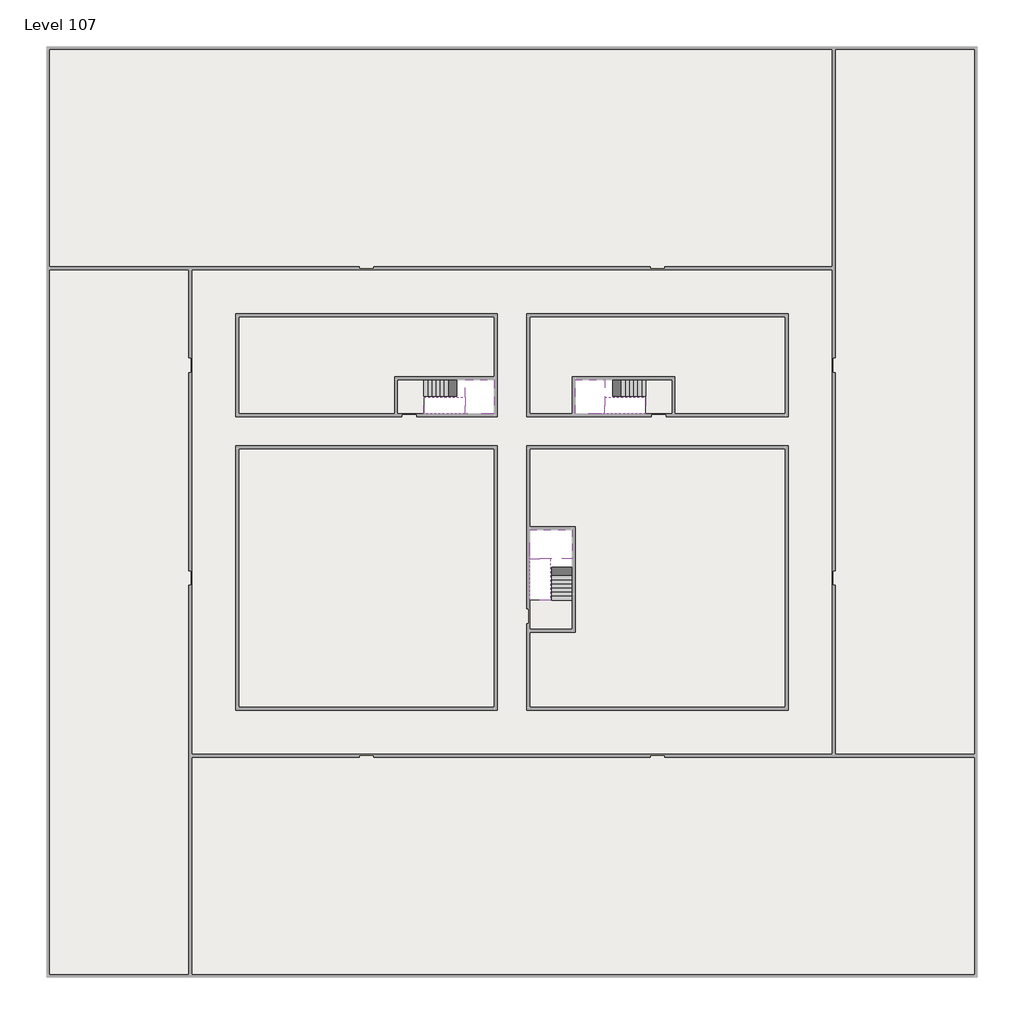
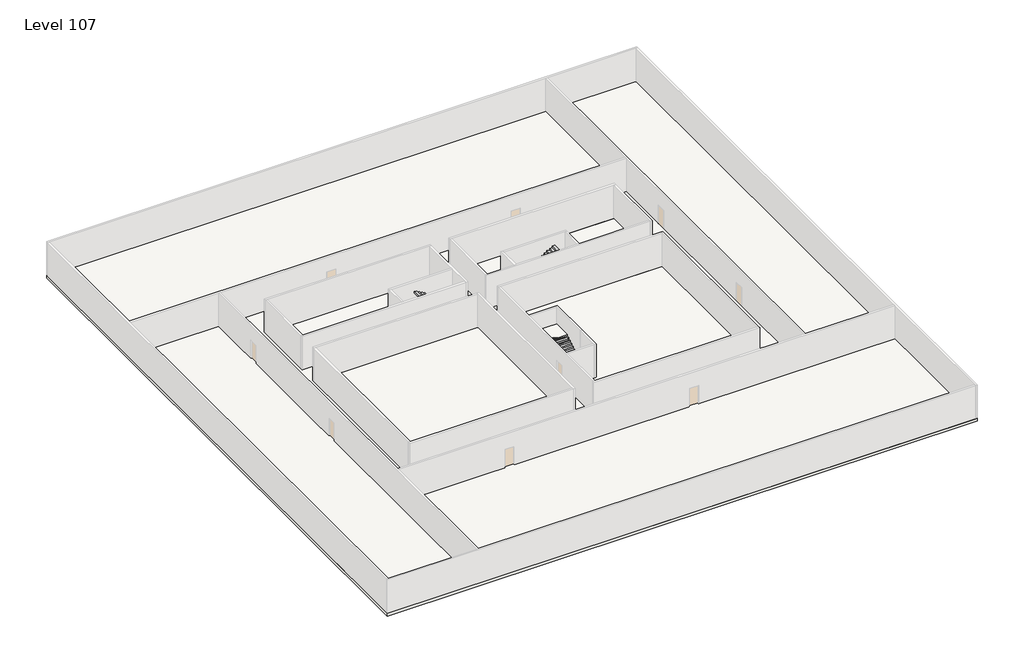
# One storey, part 2 of 2: 6 slabs, 6 stair flights.
"""IFC4 building model written with IfcOpenShell, lengths in millimetres."""

from ifc_helpers import new_model, si_unit, frame, origin, place, context, project, spatial, polyline, outline, extrude, faceted_brep, element, save

model = new_model("IFC4")

# Units and contexts
model_context = context("Model", 3, world=origin())
ifc_project = project(units=[si_unit("LENGTHUNIT", "METRE", prefix="MILLI")], contexts=[model_context])

# Site, building, storey
site = spatial("IfcSite", under=ifc_project)
building = spatial("IfcBuilding", under=site)
storey = spatial("IfcBuildingStorey", under=building, Name="Level 107", Elevation=402800.0)

# Slabs
placement = place(None, origin())
element("IfcSlab", 1, at=placement, inside=storey, context=model_context, shape_type="SweptSolid", body=[
    extrude(outline(polyline([(55890.1058784, -5518.09644), (55890.1058784, -68918.09644), (-7509.8941216, -68918.09644), (-7509.8941216, -5518.09644), (55890.1058784, -5518.09644)]), holes=[polyline([(22990.1058784, -23918.09644), (5590.1058784, -23918.09644), (5590.1058784, -30518.09644), (22990.1058784, -30518.09644), (22990.1058784, -23918.09644)]), polyline([(42990.1058784, -23918.09644), (25390.1058784, -23918.09644), (25390.1058784, -30518.09644), (42990.1058784, -30518.09644), (42990.1058784, -23918.09644)]), polyline([(25390.1058784, -50518.09644), (42790.1058784, -50518.09644), (42790.1058784, -32918.09644), (25390.1058784, -32918.09644), (25390.1058784, -50518.09644)]), polyline([(22990.1058784, -32918.09644), (5590.1058784, -32918.09644), (5590.1058784, -50518.09644), (22990.1058784, -50518.09644), (22990.1058784, -32918.09644)])]), frame((0.0, 0.0, 402500.0), z_axis=(0.0, 0.0, 1.0), x_axis=(1.0, 0.0, 0.0)), (0.0, 0.0, 1.0), 300.0),
])
element("IfcSlab", 2, at=placement, inside=storey, context=model_context, shape_type="SweptSolid", body=[
    extrude(outline(polyline([(22990.1058784, -23918.09644), (22990.1058784, -28018.09644), (16190.1058784, -28018.09644), (16190.1058784, -30518.09644), (5590.1058784, -30518.09644), (5590.1058784, -23918.09644), (22990.1058784, -23918.09644)])), frame((0.0, 0.0, 402500.0), z_axis=(0.0, 0.0, 1.0), x_axis=(1.0, 0.0, 0.0)), (0.0, 0.0, 1.0), 300.0),
    extrude(outline(polyline([(42790.1058784, -23918.09644), (42790.1058784, -30518.09644), (35290.1058784, -30518.09644), (35290.1058784, -28018.09644), (28490.1058784, -28018.09644), (28490.1058784, -30518.09644), (25390.1058784, -30518.09644), (25390.1058784, -23918.09644), (42790.1058784, -23918.09644)])), frame((0.0, 0.0, 402500.0), z_axis=(0.0, 0.0, 1.0), x_axis=(1.0, 0.0, 0.0)), (0.0, 0.0, 1.0), 300.0),
    extrude(outline(polyline([(22990.1058784, -32918.09644), (22990.1058784, -50518.09644), (5590.1058784, -50518.09644), (5590.1058784, -32918.09644), (22990.1058784, -32918.09644)])), frame((0.0, 0.0, 402500.0), z_axis=(0.0, 0.0, 1.0), x_axis=(1.0, 0.0, 0.0)), (0.0, 0.0, 1.0), 300.0),
    extrude(outline(polyline([(25390.1058784, -38218.09644), (25390.1058784, -32918.09644), (42790.1058784, -32918.09644), (42790.1058784, -50518.09644), (25390.1058784, -50518.09644), (25390.1058784, -45418.09644), (28490.1058784, -45418.09644), (28490.1058784, -38218.09644), (25390.1058784, -38218.09644)])), frame((0.0, 0.0, 402500.0), z_axis=(0.0, 0.0, 1.0), x_axis=(1.0, 0.0, 0.0)), (0.0, 0.0, 1.0), 300.0),
])
element("IfcSlab", 3, at=placement, inside=storey, context=model_context, shape_type="Brep", body=[
    faceted_brep([(26890.1058784, -40418.09644, 404700.0), (28290.1058784, -40418.09644, 404700.0), (28290.1058784, -40338.7100038, 404700.0), (28290.1058784, -38418.09644, 404700.0), (25390.1058784, -38418.09644, 404700.0), (25390.1058784, -40217.4828763, 404700.0), (25390.1058784, -40418.09644, 404700.0), (26790.1058784, -40418.09644, 404700.0), (26890.1058784, -40418.09644, 404400.0), (26890.1058784, -40418.09644, 404351.0278478), (28290.1058784, -40418.09644, 404351.0278478), (28290.1058784, -40418.09644, 404527.2727273), (28290.1058784, -40338.7100038, 404400.0), (28290.1058784, -38418.09644, 404400.0), (25390.1058784, -38418.09644, 404400.0), (25390.1058784, -40217.4828763, 404400.0), (25390.1058784, -40418.09644, 404523.7551205), (26790.1058784, -40418.09644, 404523.7551205), (26790.1058784, -40418.09644, 404400.0), (26790.1058784, -40217.4828763, 404400.0), (26890.1058784, -40338.7100038, 404400.0)], [[[0, 1, 2, 3, 4, 5, 6, 7]], [[1, 0, 8, 9, 10, 11]], [[1, 11, 10, 12, 13, 3, 2]], [[4, 3, 13, 14]], [[4, 14, 15, 16, 6, 5]], [[7, 6, 16, 17]], [[0, 7, 17, 18, 8]], [[18, 19, 15, 14, 13, 12, 20, 8]], [[19, 18, 17]], [[20, 12, 10, 9]], [[8, 20, 9]], [[15, 19, 17, 16]]]),
])
element("IfcSlab", 4, at=placement, inside=storey, context=model_context, shape_type="Brep", body=[
    faceted_brep([(20990.1058784, -28218.09644, 404700.0), (20990.1058784, -29318.09644, 404700.0), (20990.1058784, -29418.09644, 404700.0), (20990.1058784, -30518.09644, 404700.0), (21190.7194421, -30518.09644, 404700.0), (22990.1058784, -30518.09644, 404700.0), (22990.1058784, -28218.09644, 404700.0), (21069.4923146, -28218.09644, 404700.0), (20990.1058784, -28218.09644, 404527.2727273), (20990.1058784, -28218.09644, 404351.0278478), (20990.1058784, -29318.09644, 404351.0278478), (20990.1058784, -29318.09644, 404400.0), (20990.1058784, -29418.09644, 404400.0), (20990.1058784, -29418.09644, 404523.7551205), (20990.1058784, -30518.09644, 404523.7551205), (21190.7194421, -30518.09644, 404400.0), (22990.1058784, -30518.09644, 404400.0), (22990.1058784, -28218.09644, 404400.0), (21069.4923146, -28218.09644, 404400.0), (21190.7194421, -29418.09644, 404400.0), (21069.4923146, -29318.09644, 404400.0)], [[[0, 1, 2, 3, 4, 5, 6, 7]], [[1, 0, 8, 9, 10, 11]], [[2, 1, 11, 12, 13]], [[3, 2, 13, 14]], [[3, 14, 15, 16, 5, 4]], [[6, 5, 16, 17]], [[9, 8, 0, 7, 6, 17, 18]], [[19, 12, 11, 20, 18, 17, 16, 15]], [[12, 19, 13]], [[18, 20, 10, 9]], [[20, 11, 10]], [[19, 15, 14, 13]]]),
])
element("IfcSlab", 5, at=placement, inside=storey, context=model_context, shape_type="Brep", body=[
    faceted_brep([(30490.1058784, -29318.09644, 404700.0), (30490.1058784, -28218.09644, 404700.0), (30410.7194421, -28218.09644, 404700.0), (28490.1058784, -28218.09644, 404700.0), (28490.1058784, -30518.09644, 404700.0), (30289.4923146, -30518.09644, 404700.0), (30490.1058784, -30518.09644, 404700.0), (30490.1058784, -29418.09644, 404700.0), (30490.1058784, -29318.09644, 404400.0), (30490.1058784, -29318.09644, 404351.0278478), (30490.1058784, -28218.09644, 404351.0278478), (30490.1058784, -28218.09644, 404527.2727273), (30490.1058784, -29418.09644, 404523.7551205), (30490.1058784, -29418.09644, 404400.0), (30490.1058784, -30518.09644, 404523.7551205), (28490.1058784, -30518.09644, 404400.0), (30289.4923146, -30518.09644, 404400.0), (28490.1058784, -28218.09644, 404400.0), (30410.7194421, -28218.09644, 404400.0), (30289.4923146, -29418.09644, 404400.0), (30410.7194421, -29318.09644, 404400.0)], [[[0, 1, 2, 3, 4, 5, 6, 7]], [[1, 0, 8, 9, 10, 11]], [[0, 7, 12, 13, 8]], [[7, 6, 14, 12]], [[4, 15, 16, 14, 6, 5]], [[4, 3, 17, 15]], [[1, 11, 10, 18, 17, 3, 2]], [[13, 19, 16, 15, 17, 18, 20, 8]], [[20, 18, 10, 9]], [[8, 20, 9]], [[16, 19, 12, 14]], [[19, 13, 12]]]),
])
element("IfcSlab", 6, at=placement, inside=storey, context=model_context, shape_type="SweptSolid", body=[
    extrude(outline(polyline([(35090.1058784, -28218.09644), (35090.1058784, -30518.09644), (33290.1058784, -30518.09644), (33290.1058784, -28218.09644), (35090.1058784, -28218.09644)])), frame((0.0, 0.0, 402500.0), z_axis=(0.0, 0.0, 1.0), x_axis=(1.0, 0.0, 0.0)), (0.0, 0.0, 1.0), 300.0),
    extrude(outline(polyline([(18190.1058784, -28218.09644), (18190.1058784, -30518.09644), (16390.1058784, -30518.09644), (16390.1058784, -28218.09644), (18190.1058784, -28218.09644)])), frame((0.0, 0.0, 402500.0), z_axis=(0.0, 0.0, 1.0), x_axis=(1.0, 0.0, 0.0)), (0.0, 0.0, 1.0), 300.0),
    extrude(outline(polyline([(28290.1058784, -43218.09644), (28290.1058784, -45218.09644), (25390.1058784, -45218.09644), (25390.1058784, -43218.09644), (28290.1058784, -43218.09644)])), frame((0.0, 0.0, 402500.0), z_axis=(0.0, 0.0, 1.0), x_axis=(1.0, 0.0, 0.0)), (0.0, 0.0, 1.0), 300.0),
])

# Stair flights
element("IfcStairFlight", 7, at=placement, inside=storey, context=model_context, shape_type="Brep", body=[
    faceted_brep([(26890.1058784, -42938.09644, 402972.7272727), (26890.1058784, -43218.09644, 402972.7272727), (28290.1058784, -43218.09644, 402972.7272727), (28290.1058784, -42938.09644, 402972.7272727), (26890.1058784, -42938.09644, 402800.0), (26890.1058784, -43218.09644, 402800.0), (28290.1058784, -43218.09644, 402800.0), (28290.1058784, -42938.09644, 402800.0), (26890.1058784, -42658.09644, 403145.4545455), (26890.1058784, -42938.09644, 403145.4545455), (28290.1058784, -42938.09644, 403145.4545455), (28290.1058784, -42658.09644, 403145.4545455), (26890.1058784, -42658.09644, 402969.209666), (26890.1058784, -42932.3942143, 402800.0), (28290.1058784, -42932.3942143, 402800.0), (28290.1058784, -42658.09644, 402969.209666), (26890.1058784, -42378.09644, 403318.1818182), (26890.1058784, -42658.09644, 403318.1818182), (28290.1058784, -42658.09644, 403318.1818182), (28290.1058784, -42378.09644, 403318.1818182), (26890.1058784, -42378.09644, 403141.9369387), (28290.1058784, -42378.09644, 403141.9369387), (26890.1058784, -42098.09644, 403490.9090909), (26890.1058784, -42378.09644, 403490.9090909), (28290.1058784, -42378.09644, 403490.9090909), (28290.1058784, -42098.09644, 403490.9090909), (26890.1058784, -42098.09644, 403314.6642114), (28290.1058784, -42098.09644, 403314.6642114), (26890.1058784, -41818.09644, 403663.6363636), (26890.1058784, -42098.09644, 403663.6363636), (28290.1058784, -42098.09644, 403663.6363636), (28290.1058784, -41818.09644, 403663.6363636), (26890.1058784, -41818.09644, 403487.3914841), (28290.1058784, -41818.09644, 403487.3914841), (26890.1058784, -41538.09644, 403836.3636364), (26890.1058784, -41818.09644, 403836.3636364), (28290.1058784, -41818.09644, 403836.3636364), (28290.1058784, -41538.09644, 403836.3636364), (26890.1058784, -41538.09644, 403660.1187569), (28290.1058784, -41538.09644, 403660.1187569), (26890.1058784, -41258.09644, 404009.0909091), (26890.1058784, -41538.09644, 404009.0909091), (28290.1058784, -41538.09644, 404009.0909091), (28290.1058784, -41258.09644, 404009.0909091), (26890.1058784, -41258.09644, 403832.8460296), (28290.1058784, -41258.09644, 403832.8460296), (26890.1058784, -40978.09644, 404181.8181818), (26890.1058784, -41258.09644, 404181.8181818), (28290.1058784, -41258.09644, 404181.8181818), (28290.1058784, -40978.09644, 404181.8181818), (26890.1058784, -40978.09644, 404005.5733023), (28290.1058784, -40978.09644, 404005.5733023), (26890.1058784, -40698.09644, 404354.5454545), (26890.1058784, -40978.09644, 404354.5454545), (28290.1058784, -40978.09644, 404354.5454545), (28290.1058784, -40698.09644, 404354.5454545), (26890.1058784, -40698.09644, 404178.3005751), (28290.1058784, -40698.09644, 404178.3005751), (26890.1058784, -40418.09644, 404527.2727273), (26890.1058784, -40698.09644, 404527.2727273), (28290.1058784, -40698.09644, 404527.2727273), (28290.1058784, -40418.09644, 404527.2727273), (26890.1058784, -40418.09644, 404400.0), (26890.1058784, -40418.09644, 404351.0278478), (28290.1058784, -40418.09644, 404351.0278478)], [[[0, 1, 2, 3]], [[1, 0, 4, 5]], [[2, 1, 5, 6]], [[3, 2, 6, 7]], [[8, 9, 10, 11]], [[4, 0, 9, 8, 12, 13]], [[0, 3, 10, 9]], [[3, 7, 14, 15, 11, 10]], [[16, 17, 18, 19]], [[17, 16, 20, 12, 8]], [[8, 11, 18, 17]], [[19, 18, 11, 15, 21]], [[22, 23, 24, 25]], [[23, 22, 26, 20, 16]], [[16, 19, 24, 23]], [[25, 24, 19, 21, 27]], [[28, 29, 30, 31]], [[29, 28, 32, 26, 22]], [[22, 25, 30, 29]], [[31, 30, 25, 27, 33]], [[34, 35, 36, 37]], [[35, 34, 38, 32, 28]], [[28, 31, 36, 35]], [[37, 36, 31, 33, 39]], [[40, 41, 42, 43]], [[41, 40, 44, 38, 34]], [[34, 37, 42, 41]], [[43, 42, 37, 39, 45]], [[46, 47, 48, 49]], [[47, 46, 50, 44, 40]], [[40, 43, 48, 47]], [[49, 48, 43, 45, 51]], [[52, 53, 54, 55]], [[53, 52, 56, 50, 46]], [[46, 49, 54, 53]], [[55, 54, 49, 51, 57]], [[58, 59, 60, 61]], [[59, 58, 62, 63, 56, 52]], [[52, 55, 60, 59]], [[61, 60, 55, 57, 64]], [[58, 61, 64, 63, 62]], [[5, 4, 13, 14, 7, 6]], [[14, 13, 12, 20, 26, 32, 38, 44, 50, 56, 63, 64, 57, 51, 45, 39, 33, 27, 21, 15]]]),
])
element("IfcStairFlight", 8, at=placement, inside=storey, context=model_context, shape_type="Brep", body=[
    faceted_brep([(26790.1058784, -40698.09644, 404872.7272727), (26790.1058784, -40418.09644, 404872.7272727), (25390.1058784, -40418.09644, 404872.7272727), (25390.1058784, -40698.09644, 404872.7272727), (26790.1058784, -40698.09644, 404696.4823932), (26790.1058784, -40418.09644, 404523.7551205), (25390.1058784, -40418.09644, 404523.7551205), (25390.1058784, -40418.09644, 404700.0), (25390.1058784, -40698.09644, 404696.4823932), (26790.1058784, -40978.09644, 405045.4545455), (26790.1058784, -40698.09644, 405045.4545455), (25390.1058784, -40698.09644, 405045.4545455), (25390.1058784, -40978.09644, 405045.4545455), (26790.1058784, -40978.09644, 404869.209666), (25390.1058784, -40978.09644, 404869.209666), (26790.1058784, -41258.09644, 405218.1818182), (26790.1058784, -40978.09644, 405218.1818182), (25390.1058784, -40978.09644, 405218.1818182), (25390.1058784, -41258.09644, 405218.1818182), (26790.1058784, -41258.09644, 405041.9369387), (25390.1058784, -41258.09644, 405041.9369387), (26790.1058784, -41538.09644, 405390.9090909), (26790.1058784, -41258.09644, 405390.9090909), (25390.1058784, -41258.09644, 405390.9090909), (25390.1058784, -41538.09644, 405390.9090909), (26790.1058784, -41538.09644, 405214.6642114), (25390.1058784, -41538.09644, 405214.6642114), (26790.1058784, -41818.09644, 405563.6363636), (26790.1058784, -41538.09644, 405563.6363636), (25390.1058784, -41538.09644, 405563.6363636), (25390.1058784, -41818.09644, 405563.6363636), (26790.1058784, -41818.09644, 405387.3914841), (25390.1058784, -41818.09644, 405387.3914841), (26790.1058784, -42098.09644, 405736.3636364), (26790.1058784, -41818.09644, 405736.3636364), (25390.1058784, -41818.09644, 405736.3636364), (25390.1058784, -42098.09644, 405736.3636364), (26790.1058784, -42098.09644, 405560.1187569), (25390.1058784, -42098.09644, 405560.1187569), (26790.1058784, -42378.09644, 405909.0909091), (26790.1058784, -42098.09644, 405909.0909091), (25390.1058784, -42098.09644, 405909.0909091), (25390.1058784, -42378.09644, 405909.0909091), (26790.1058784, -42378.09644, 405732.8460296), (25390.1058784, -42378.09644, 405732.8460296), (26790.1058784, -42658.09644, 406081.8181818), (26790.1058784, -42378.09644, 406081.8181818), (25390.1058784, -42378.09644, 406081.8181818), (25390.1058784, -42658.09644, 406081.8181818), (26790.1058784, -42658.09644, 405905.5733023), (25390.1058784, -42658.09644, 405905.5733023), (26790.1058784, -42938.09644, 406254.5454545), (26790.1058784, -42658.09644, 406254.5454545), (25390.1058784, -42658.09644, 406254.5454545), (25390.1058784, -42938.09644, 406254.5454545), (26790.1058784, -42938.09644, 406078.3005751), (25390.1058784, -42938.09644, 406078.3005751), (26790.1058784, -43218.09644, 406427.2727273), (26790.1058784, -42938.09644, 406427.2727273), (25390.1058784, -42938.09644, 406427.2727273), (25390.1058784, -43218.09644, 406427.2727273), (26790.1058784, -43218.09644, 406251.0278478), (25390.1058784, -43218.09644, 406251.0278478)], [[[0, 1, 2, 3]], [[1, 0, 4, 5]], [[2, 1, 5, 6, 7]], [[3, 2, 7, 6, 8]], [[9, 10, 11, 12]], [[10, 9, 13, 4, 0]], [[11, 10, 0, 3]], [[12, 11, 3, 8, 14]], [[15, 16, 17, 18]], [[16, 15, 19, 13, 9]], [[17, 16, 9, 12]], [[18, 17, 12, 14, 20]], [[21, 22, 23, 24]], [[22, 21, 25, 19, 15]], [[23, 22, 15, 18]], [[24, 23, 18, 20, 26]], [[27, 28, 29, 30]], [[28, 27, 31, 25, 21]], [[29, 28, 21, 24]], [[30, 29, 24, 26, 32]], [[33, 34, 35, 36]], [[34, 33, 37, 31, 27]], [[35, 34, 27, 30]], [[36, 35, 30, 32, 38]], [[39, 40, 41, 42]], [[40, 39, 43, 37, 33]], [[41, 40, 33, 36]], [[42, 41, 36, 38, 44]], [[45, 46, 47, 48]], [[46, 45, 49, 43, 39]], [[47, 46, 39, 42]], [[48, 47, 42, 44, 50]], [[51, 52, 53, 54]], [[52, 51, 55, 49, 45]], [[53, 52, 45, 48]], [[54, 53, 48, 50, 56]], [[57, 58, 59, 60]], [[58, 57, 61, 55, 51]], [[59, 58, 51, 54]], [[60, 59, 54, 56, 62]], [[57, 60, 62, 61]], [[5, 4, 13, 19, 25, 31, 37, 43, 49, 55, 61, 62, 56, 50, 44, 38, 32, 26, 20, 14, 8, 6]]]),
])
element("IfcStairFlight", 9, at=placement, inside=storey, context=model_context, shape_type="Brep", body=[
    faceted_brep([(18470.1058784, -28218.09644, 402972.7272727), (18190.1058784, -28218.09644, 402972.7272727), (18190.1058784, -29318.09644, 402972.7272727), (18470.1058784, -29318.09644, 402972.7272727), (18470.1058784, -28218.09644, 402800.0), (18190.1058784, -28218.09644, 402800.0), (18190.1058784, -29318.09644, 402800.0), (18470.1058784, -29318.09644, 402800.0), (18750.1058784, -28218.09644, 403145.4545455), (18470.1058784, -28218.09644, 403145.4545455), (18470.1058784, -29318.09644, 403145.4545455), (18750.1058784, -29318.09644, 403145.4545455), (18750.1058784, -28218.09644, 402969.209666), (18475.8081041, -28218.09644, 402800.0), (18475.8081041, -29318.09644, 402800.0), (18750.1058784, -29318.09644, 402969.209666), (19030.1058784, -28218.09644, 403318.1818182), (18750.1058784, -28218.09644, 403318.1818182), (18750.1058784, -29318.09644, 403318.1818182), (19030.1058784, -29318.09644, 403318.1818182), (19030.1058784, -28218.09644, 403141.9369387), (19030.1058784, -29318.09644, 403141.9369387), (19310.1058784, -28218.09644, 403490.9090909), (19030.1058784, -28218.09644, 403490.9090909), (19030.1058784, -29318.09644, 403490.9090909), (19310.1058784, -29318.09644, 403490.9090909), (19310.1058784, -28218.09644, 403314.6642114), (19310.1058784, -29318.09644, 403314.6642114), (19590.1058784, -28218.09644, 403663.6363636), (19310.1058784, -28218.09644, 403663.6363636), (19310.1058784, -29318.09644, 403663.6363636), (19590.1058784, -29318.09644, 403663.6363636), (19590.1058784, -28218.09644, 403487.3914841), (19590.1058784, -29318.09644, 403487.3914841), (19870.1058784, -28218.09644, 403836.3636364), (19590.1058784, -28218.09644, 403836.3636364), (19590.1058784, -29318.09644, 403836.3636364), (19870.1058784, -29318.09644, 403836.3636364), (19870.1058784, -28218.09644, 403660.1187569), (19870.1058784, -29318.09644, 403660.1187569), (20150.1058784, -28218.09644, 404009.0909091), (19870.1058784, -28218.09644, 404009.0909091), (19870.1058784, -29318.09644, 404009.0909091), (20150.1058784, -29318.09644, 404009.0909091), (20150.1058784, -28218.09644, 403832.8460296), (20150.1058784, -29318.09644, 403832.8460296), (20430.1058784, -28218.09644, 404181.8181818), (20150.1058784, -28218.09644, 404181.8181818), (20150.1058784, -29318.09644, 404181.8181818), (20430.1058784, -29318.09644, 404181.8181818), (20430.1058784, -28218.09644, 404005.5733023), (20430.1058784, -29318.09644, 404005.5733023), (20710.1058784, -28218.09644, 404354.5454545), (20430.1058784, -28218.09644, 404354.5454545), (20430.1058784, -29318.09644, 404354.5454545), (20710.1058784, -29318.09644, 404354.5454545), (20710.1058784, -28218.09644, 404178.3005751), (20710.1058784, -29318.09644, 404178.3005751), (20990.1058784, -28218.09644, 404527.2727273), (20710.1058784, -28218.09644, 404527.2727273), (20710.1058784, -29318.09644, 404527.2727273), (20990.1058784, -29318.09644, 404527.2727273), (20990.1058784, -28218.09644, 404351.0278478), (20990.1058784, -29318.09644, 404351.0278478), (20990.1058784, -29318.09644, 404400.0)], [[[0, 1, 2, 3]], [[1, 0, 4, 5]], [[2, 1, 5, 6]], [[3, 2, 6, 7]], [[8, 9, 10, 11]], [[4, 0, 9, 8, 12, 13]], [[0, 3, 10, 9]], [[3, 7, 14, 15, 11, 10]], [[16, 17, 18, 19]], [[17, 16, 20, 12, 8]], [[8, 11, 18, 17]], [[19, 18, 11, 15, 21]], [[22, 23, 24, 25]], [[23, 22, 26, 20, 16]], [[16, 19, 24, 23]], [[25, 24, 19, 21, 27]], [[28, 29, 30, 31]], [[29, 28, 32, 26, 22]], [[22, 25, 30, 29]], [[31, 30, 25, 27, 33]], [[34, 35, 36, 37]], [[35, 34, 38, 32, 28]], [[28, 31, 36, 35]], [[37, 36, 31, 33, 39]], [[40, 41, 42, 43]], [[41, 40, 44, 38, 34]], [[34, 37, 42, 41]], [[43, 42, 37, 39, 45]], [[46, 47, 48, 49]], [[47, 46, 50, 44, 40]], [[40, 43, 48, 47]], [[49, 48, 43, 45, 51]], [[52, 53, 54, 55]], [[53, 52, 56, 50, 46]], [[46, 49, 54, 53]], [[55, 54, 49, 51, 57]], [[58, 59, 60, 61]], [[59, 58, 62, 56, 52]], [[52, 55, 60, 59]], [[61, 60, 55, 57, 63, 64]], [[58, 61, 64, 63, 62]], [[5, 4, 13, 14, 7, 6]], [[14, 13, 12, 20, 26, 32, 38, 44, 50, 56, 62, 63, 57, 51, 45, 39, 33, 27, 21, 15]]]),
])
element("IfcStairFlight", 10, at=placement, inside=storey, context=model_context, shape_type="Brep", body=[
    faceted_brep([(20710.1058784, -30518.09644, 404872.7272727), (20990.1058784, -30518.09644, 404872.7272727), (20990.1058784, -29418.09644, 404872.7272727), (20710.1058784, -29418.09644, 404872.7272727), (20710.1058784, -30518.09644, 404696.4823932), (20990.1058784, -30518.09644, 404523.7551205), (20990.1058784, -30518.09644, 404700.0), (20990.1058784, -29418.09644, 404523.7551205), (20710.1058784, -29418.09644, 404696.4823932), (20430.1058784, -30518.09644, 405045.4545455), (20710.1058784, -30518.09644, 405045.4545455), (20710.1058784, -29418.09644, 405045.4545455), (20430.1058784, -29418.09644, 405045.4545455), (20430.1058784, -30518.09644, 404869.209666), (20430.1058784, -29418.09644, 404869.209666), (20150.1058784, -30518.09644, 405218.1818182), (20430.1058784, -30518.09644, 405218.1818182), (20430.1058784, -29418.09644, 405218.1818182), (20150.1058784, -29418.09644, 405218.1818182), (20150.1058784, -30518.09644, 405041.9369387), (20150.1058784, -29418.09644, 405041.9369387), (19870.1058784, -30518.09644, 405390.9090909), (20150.1058784, -30518.09644, 405390.9090909), (20150.1058784, -29418.09644, 405390.9090909), (19870.1058784, -29418.09644, 405390.9090909), (19870.1058784, -30518.09644, 405214.6642114), (19870.1058784, -29418.09644, 405214.6642114), (19590.1058784, -30518.09644, 405563.6363636), (19870.1058784, -30518.09644, 405563.6363636), (19870.1058784, -29418.09644, 405563.6363636), (19590.1058784, -29418.09644, 405563.6363636), (19590.1058784, -30518.09644, 405387.3914841), (19590.1058784, -29418.09644, 405387.3914841), (19310.1058784, -30518.09644, 405736.3636364), (19590.1058784, -30518.09644, 405736.3636364), (19590.1058784, -29418.09644, 405736.3636364), (19310.1058784, -29418.09644, 405736.3636364), (19310.1058784, -30518.09644, 405560.1187569), (19310.1058784, -29418.09644, 405560.1187569), (19030.1058784, -30518.09644, 405909.0909091), (19310.1058784, -30518.09644, 405909.0909091), (19310.1058784, -29418.09644, 405909.0909091), (19030.1058784, -29418.09644, 405909.0909091), (19030.1058784, -30518.09644, 405732.8460296), (19030.1058784, -29418.09644, 405732.8460296), (18750.1058784, -30518.09644, 406081.8181818), (19030.1058784, -30518.09644, 406081.8181818), (19030.1058784, -29418.09644, 406081.8181818), (18750.1058784, -29418.09644, 406081.8181818), (18750.1058784, -30518.09644, 405905.5733023), (18750.1058784, -29418.09644, 405905.5733023), (18470.1058784, -30518.09644, 406254.5454545), (18750.1058784, -30518.09644, 406254.5454545), (18750.1058784, -29418.09644, 406254.5454545), (18470.1058784, -29418.09644, 406254.5454545), (18470.1058784, -30518.09644, 406078.3005751), (18470.1058784, -29418.09644, 406078.3005751), (18190.1058784, -30518.09644, 406427.2727273), (18470.1058784, -30518.09644, 406427.2727273), (18470.1058784, -29418.09644, 406427.2727273), (18190.1058784, -29418.09644, 406427.2727273), (18190.1058784, -30518.09644, 406251.0278478), (18190.1058784, -29418.09644, 406251.0278478)], [[[0, 1, 2, 3]], [[1, 0, 4, 5, 6]], [[2, 1, 6, 5, 7]], [[3, 2, 7, 8]], [[9, 10, 11, 12]], [[10, 9, 13, 4, 0]], [[11, 10, 0, 3]], [[12, 11, 3, 8, 14]], [[15, 16, 17, 18]], [[16, 15, 19, 13, 9]], [[17, 16, 9, 12]], [[18, 17, 12, 14, 20]], [[21, 22, 23, 24]], [[22, 21, 25, 19, 15]], [[23, 22, 15, 18]], [[24, 23, 18, 20, 26]], [[27, 28, 29, 30]], [[28, 27, 31, 25, 21]], [[29, 28, 21, 24]], [[30, 29, 24, 26, 32]], [[33, 34, 35, 36]], [[34, 33, 37, 31, 27]], [[35, 34, 27, 30]], [[36, 35, 30, 32, 38]], [[39, 40, 41, 42]], [[40, 39, 43, 37, 33]], [[41, 40, 33, 36]], [[42, 41, 36, 38, 44]], [[45, 46, 47, 48]], [[46, 45, 49, 43, 39]], [[47, 46, 39, 42]], [[48, 47, 42, 44, 50]], [[51, 52, 53, 54]], [[52, 51, 55, 49, 45]], [[53, 52, 45, 48]], [[54, 53, 48, 50, 56]], [[57, 58, 59, 60]], [[58, 57, 61, 55, 51]], [[59, 58, 51, 54]], [[60, 59, 54, 56, 62]], [[57, 60, 62, 61]], [[5, 4, 13, 19, 25, 31, 37, 43, 49, 55, 61, 62, 56, 50, 44, 38, 32, 26, 20, 14, 8, 7]]]),
])
element("IfcStairFlight", 11, at=placement, inside=storey, context=model_context, shape_type="Brep", body=[
    faceted_brep([(33010.1058784, -29318.09644, 402972.7272727), (33290.1058784, -29318.09644, 402972.7272727), (33290.1058784, -28218.09644, 402972.7272727), (33010.1058784, -28218.09644, 402972.7272727), (33290.1058784, -28218.09644, 402800.0), (33010.1058784, -28218.09644, 402800.0), (33290.1058784, -29318.09644, 402800.0), (33010.1058784, -29318.09644, 402800.0), (32730.1058784, -29318.09644, 403145.4545455), (33010.1058784, -29318.09644, 403145.4545455), (33010.1058784, -28218.09644, 403145.4545455), (32730.1058784, -28218.09644, 403145.4545455), (33004.4036527, -28218.09644, 402800.0), (32730.1058784, -28218.09644, 402969.209666), (32730.1058784, -29318.09644, 402969.209666), (33004.4036527, -29318.09644, 402800.0), (32450.1058784, -29318.09644, 403318.1818182), (32730.1058784, -29318.09644, 403318.1818182), (32730.1058784, -28218.09644, 403318.1818182), (32450.1058784, -28218.09644, 403318.1818182), (32450.1058784, -28218.09644, 403141.9369387), (32450.1058784, -29318.09644, 403141.9369387), (32170.1058784, -29318.09644, 403490.9090909), (32450.1058784, -29318.09644, 403490.9090909), (32450.1058784, -28218.09644, 403490.9090909), (32170.1058784, -28218.09644, 403490.9090909), (32170.1058784, -28218.09644, 403314.6642114), (32170.1058784, -29318.09644, 403314.6642114), (31890.1058784, -29318.09644, 403663.6363636), (32170.1058784, -29318.09644, 403663.6363636), (32170.1058784, -28218.09644, 403663.6363636), (31890.1058784, -28218.09644, 403663.6363636), (31890.1058784, -28218.09644, 403487.3914841), (31890.1058784, -29318.09644, 403487.3914841), (31610.1058784, -29318.09644, 403836.3636364), (31890.1058784, -29318.09644, 403836.3636364), (31890.1058784, -28218.09644, 403836.3636364), (31610.1058784, -28218.09644, 403836.3636364), (31610.1058784, -28218.09644, 403660.1187569), (31610.1058784, -29318.09644, 403660.1187569), (31330.1058784, -29318.09644, 404009.0909091), (31610.1058784, -29318.09644, 404009.0909091), (31610.1058784, -28218.09644, 404009.0909091), (31330.1058784, -28218.09644, 404009.0909091), (31330.1058784, -28218.09644, 403832.8460296), (31330.1058784, -29318.09644, 403832.8460296), (31050.1058784, -29318.09644, 404181.8181818), (31330.1058784, -29318.09644, 404181.8181818), (31330.1058784, -28218.09644, 404181.8181818), (31050.1058784, -28218.09644, 404181.8181818), (31050.1058784, -28218.09644, 404005.5733023), (31050.1058784, -29318.09644, 404005.5733023), (30770.1058784, -29318.09644, 404354.5454545), (31050.1058784, -29318.09644, 404354.5454545), (31050.1058784, -28218.09644, 404354.5454545), (30770.1058784, -28218.09644, 404354.5454545), (30770.1058784, -28218.09644, 404178.3005751), (30770.1058784, -29318.09644, 404178.3005751), (30490.1058784, -29318.09644, 404527.2727273), (30770.1058784, -29318.09644, 404527.2727273), (30770.1058784, -28218.09644, 404527.2727273), (30490.1058784, -28218.09644, 404527.2727273), (30490.1058784, -28218.09644, 404351.0278478), (30490.1058784, -29318.09644, 404400.0), (30490.1058784, -29318.09644, 404351.0278478)], [[[0, 1, 2, 3]], [[3, 2, 4, 5]], [[2, 1, 6, 4]], [[1, 0, 7, 6]], [[8, 9, 10, 11]], [[3, 5, 12, 13, 11, 10]], [[0, 3, 10, 9]], [[7, 0, 9, 8, 14, 15]], [[16, 17, 18, 19]], [[19, 18, 11, 13, 20]], [[8, 11, 18, 17]], [[17, 16, 21, 14, 8]], [[22, 23, 24, 25]], [[25, 24, 19, 20, 26]], [[16, 19, 24, 23]], [[23, 22, 27, 21, 16]], [[28, 29, 30, 31]], [[31, 30, 25, 26, 32]], [[22, 25, 30, 29]], [[29, 28, 33, 27, 22]], [[34, 35, 36, 37]], [[37, 36, 31, 32, 38]], [[28, 31, 36, 35]], [[35, 34, 39, 33, 28]], [[40, 41, 42, 43]], [[43, 42, 37, 38, 44]], [[34, 37, 42, 41]], [[41, 40, 45, 39, 34]], [[46, 47, 48, 49]], [[49, 48, 43, 44, 50]], [[40, 43, 48, 47]], [[47, 46, 51, 45, 40]], [[52, 53, 54, 55]], [[55, 54, 49, 50, 56]], [[46, 49, 54, 53]], [[53, 52, 57, 51, 46]], [[58, 59, 60, 61]], [[61, 60, 55, 56, 62]], [[52, 55, 60, 59]], [[59, 58, 63, 64, 57, 52]], [[58, 61, 62, 64, 63]], [[6, 7, 15, 12, 5, 4]], [[12, 15, 14, 21, 27, 33, 39, 45, 51, 57, 64, 62, 56, 50, 44, 38, 32, 26, 20, 13]]]),
])
element("IfcStairFlight", 12, at=placement, inside=storey, context=model_context, shape_type="Brep", body=[
    faceted_brep([(30770.1058784, -29418.09644, 404872.7272727), (30490.1058784, -29418.09644, 404872.7272727), (30490.1058784, -30518.09644, 404872.7272727), (30770.1058784, -30518.09644, 404872.7272727), (30490.1058784, -30518.09644, 404700.0), (30490.1058784, -30518.09644, 404523.7551205), (30770.1058784, -30518.09644, 404696.4823932), (30490.1058784, -29418.09644, 404523.7551205), (30770.1058784, -29418.09644, 404696.4823932), (31050.1058784, -29418.09644, 405045.4545455), (30770.1058784, -29418.09644, 405045.4545455), (30770.1058784, -30518.09644, 405045.4545455), (31050.1058784, -30518.09644, 405045.4545455), (31050.1058784, -30518.09644, 404869.209666), (31050.1058784, -29418.09644, 404869.209666), (31330.1058784, -29418.09644, 405218.1818182), (31050.1058784, -29418.09644, 405218.1818182), (31050.1058784, -30518.09644, 405218.1818182), (31330.1058784, -30518.09644, 405218.1818182), (31330.1058784, -30518.09644, 405041.9369387), (31330.1058784, -29418.09644, 405041.9369387), (31610.1058784, -29418.09644, 405390.9090909), (31330.1058784, -29418.09644, 405390.9090909), (31330.1058784, -30518.09644, 405390.9090909), (31610.1058784, -30518.09644, 405390.9090909), (31610.1058784, -30518.09644, 405214.6642114), (31610.1058784, -29418.09644, 405214.6642114), (31890.1058784, -29418.09644, 405563.6363636), (31610.1058784, -29418.09644, 405563.6363636), (31610.1058784, -30518.09644, 405563.6363636), (31890.1058784, -30518.09644, 405563.6363636), (31890.1058784, -30518.09644, 405387.3914841), (31890.1058784, -29418.09644, 405387.3914841), (32170.1058784, -29418.09644, 405736.3636364), (31890.1058784, -29418.09644, 405736.3636364), (31890.1058784, -30518.09644, 405736.3636364), (32170.1058784, -30518.09644, 405736.3636364), (32170.1058784, -30518.09644, 405560.1187569), (32170.1058784, -29418.09644, 405560.1187569), (32450.1058784, -29418.09644, 405909.0909091), (32170.1058784, -29418.09644, 405909.0909091), (32170.1058784, -30518.09644, 405909.0909091), (32450.1058784, -30518.09644, 405909.0909091), (32450.1058784, -30518.09644, 405732.8460296), (32450.1058784, -29418.09644, 405732.8460296), (32730.1058784, -29418.09644, 406081.8181818), (32450.1058784, -29418.09644, 406081.8181818), (32450.1058784, -30518.09644, 406081.8181818), (32730.1058784, -30518.09644, 406081.8181818), (32730.1058784, -30518.09644, 405905.5733023), (32730.1058784, -29418.09644, 405905.5733023), (33010.1058784, -29418.09644, 406254.5454545), (32730.1058784, -29418.09644, 406254.5454545), (32730.1058784, -30518.09644, 406254.5454545), (33010.1058784, -30518.09644, 406254.5454545), (33010.1058784, -30518.09644, 406078.3005751), (33010.1058784, -29418.09644, 406078.3005751), (33290.1058784, -29418.09644, 406427.2727273), (33010.1058784, -29418.09644, 406427.2727273), (33010.1058784, -30518.09644, 406427.2727273), (33290.1058784, -30518.09644, 406427.2727273), (33290.1058784, -30518.09644, 406251.0278478), (33290.1058784, -29418.09644, 406251.0278478)], [[[0, 1, 2, 3]], [[3, 2, 4, 5, 6]], [[2, 1, 7, 5, 4]], [[1, 0, 8, 7]], [[9, 10, 11, 12]], [[12, 11, 3, 6, 13]], [[11, 10, 0, 3]], [[10, 9, 14, 8, 0]], [[15, 16, 17, 18]], [[18, 17, 12, 13, 19]], [[17, 16, 9, 12]], [[16, 15, 20, 14, 9]], [[21, 22, 23, 24]], [[24, 23, 18, 19, 25]], [[23, 22, 15, 18]], [[22, 21, 26, 20, 15]], [[27, 28, 29, 30]], [[30, 29, 24, 25, 31]], [[29, 28, 21, 24]], [[28, 27, 32, 26, 21]], [[33, 34, 35, 36]], [[36, 35, 30, 31, 37]], [[35, 34, 27, 30]], [[34, 33, 38, 32, 27]], [[39, 40, 41, 42]], [[42, 41, 36, 37, 43]], [[41, 40, 33, 36]], [[40, 39, 44, 38, 33]], [[45, 46, 47, 48]], [[48, 47, 42, 43, 49]], [[47, 46, 39, 42]], [[46, 45, 50, 44, 39]], [[51, 52, 53, 54]], [[54, 53, 48, 49, 55]], [[53, 52, 45, 48]], [[52, 51, 56, 50, 45]], [[57, 58, 59, 60]], [[60, 59, 54, 55, 61]], [[59, 58, 51, 54]], [[58, 57, 62, 56, 51]], [[57, 60, 61, 62]], [[7, 8, 14, 20, 26, 32, 38, 44, 50, 56, 62, 61, 55, 49, 43, 37, 31, 25, 19, 13, 6, 5]]]),
])

save(model, "model.ifc")
